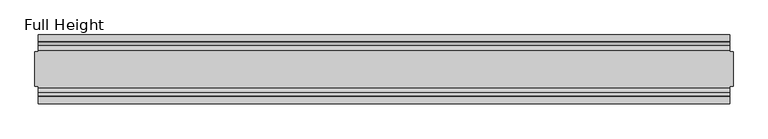
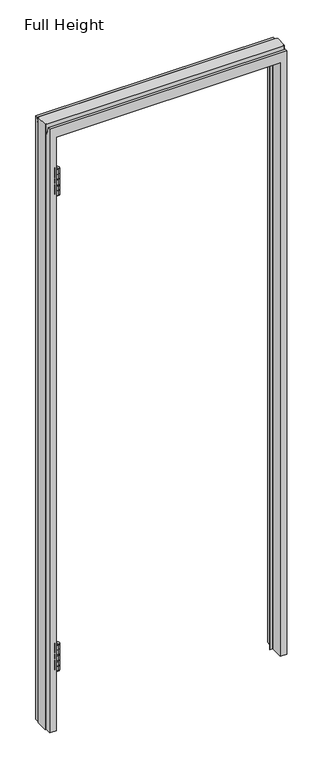
"""IFC4 building model written with IfcOpenShell, lengths in millimetres: plate geometry, Full Height."""

from ifc_helpers import new_model, si_unit, frame, origin, place, context, project, spatial, polyline, circle_curve, source, transform, mapped, element, save
from ifc_brep_helpers import plane_surface, cylinder_surface, revolved_surface, advanced_brep


def full_height_1b15659e(model_context):
    return source(origin(), model_context, "Body", "AdvancedBrep", [
        advanced_brep(
        [(-466.3662186, -30.9626, 2496.82), (-466.3662186, -50.0126, 2496.82), (-466.3662186, -50.0126, 2517.14), (-466.3662186, -30.9626, 2517.14), (-466.3662186, -40.4876, 2496.82), (-466.3662186, -40.4876, 2517.14)],
        [
            (0, 1, circle_curve(frame((-466.3662186, -40.4876, 2496.82), z_axis=(0.0, 0.0, 1.0), x_axis=(0.0, -1.0, 0.0)), 9.525)),
            (1, 2),
            (2, 3, circle_curve(frame((-466.3662186, -40.4876, 2517.14), z_axis=(0.0, 0.0, -1.0), x_axis=(0.0, -1.0, 0.0)), 9.525)),
            (3, 0),
            (1, 0, circle_curve(frame((-466.3662186, -40.4876, 2496.82), z_axis=(0.0, 0.0, 1.0), x_axis=(0.0, -1.0, 0.0)), 9.525)),
            (3, 2, circle_curve(frame((-466.3662186, -40.4876, 2517.14), z_axis=(0.0, 0.0, -1.0), x_axis=(0.0, -1.0, 0.0)), 9.525)),
            (4, 1),
            (0, 4),
            (2, 5),
            (5, 3),
        ],
        [
            cylinder_surface(frame((-466.3662186, -40.4876, 139.7), z_axis=(0.0, 0.0, -1.0), x_axis=(0.0, -1.0, 0.0)), 9.525),
            plane_surface(frame((-466.3662186, -40.4876, 2496.82), z_axis=(0.0, 0.0, -1.0), x_axis=(0.0, -1.0, 0.0))),
            plane_surface(frame((-466.3662186, -40.4876, 2517.14), z_axis=(0.0, 0.0, 1.0), x_axis=(0.0, -1.0, 0.0))),
        ],
        [
            (0, [[1, 2, 3, 4]]),
            (0, [[5, -4, 6, -2]]),
            (1, [[7, -1, 8]]),
            (1, [[-8, -5, -7]]),
            (2, [[-3, 9, 10]]),
            (2, [[-6, -10, -9]]),
        ],
    ),
        advanced_brep(
        [(-466.3662186, -30.9626, 2449.83), (-466.3662186, -50.0126, 2449.83), (-466.3662186, -50.0126, 2470.15), (-466.3662186, -30.9626, 2470.15), (-466.3662186, -40.4876, 2449.83), (-466.3662186, -40.4876, 2470.15)],
        [
            (0, 1, circle_curve(frame((-466.3662186, -40.4876, 2449.83), z_axis=(0.0, 0.0, 1.0), x_axis=(0.0, -1.0, 0.0)), 9.525)),
            (1, 2),
            (2, 3, circle_curve(frame((-466.3662186, -40.4876, 2470.15), z_axis=(0.0, 0.0, -1.0), x_axis=(0.0, -1.0, 0.0)), 9.525)),
            (3, 0),
            (1, 0, circle_curve(frame((-466.3662186, -40.4876, 2449.83), z_axis=(0.0, 0.0, 1.0), x_axis=(0.0, -1.0, 0.0)), 9.525)),
            (3, 2, circle_curve(frame((-466.3662186, -40.4876, 2470.15), z_axis=(0.0, 0.0, -1.0), x_axis=(0.0, -1.0, 0.0)), 9.525)),
            (4, 1),
            (0, 4),
            (2, 5),
            (5, 3),
        ],
        [
            cylinder_surface(frame((-466.3662186, -40.4876, 139.7), z_axis=(0.0, 0.0, -1.0), x_axis=(0.0, -1.0, 0.0)), 9.525),
            plane_surface(frame((-466.3662186, -40.4876, 2449.83), z_axis=(0.0, 0.0, -1.0), x_axis=(0.0, -1.0, 0.0))),
            plane_surface(frame((-466.3662186, -40.4876, 2470.15), z_axis=(0.0, 0.0, 1.0), x_axis=(0.0, -1.0, 0.0))),
        ],
        [
            (0, [[1, 2, 3, 4]]),
            (0, [[5, -4, 6, -2]]),
            (1, [[7, -1, 8]]),
            (1, [[-8, -5, -7]]),
            (2, [[-3, 9, 10]]),
            (2, [[-6, -10, -9]]),
        ],
    ),
        advanced_brep(
        [(-466.3662186, -30.9626, 2402.84), (-466.3662186, -50.0126, 2402.84), (-466.3662186, -50.0126, 2423.16), (-466.3662186, -30.9626, 2423.16), (-466.3662186, -40.4876, 2402.84), (-466.3662186, -40.4876, 2423.16)],
        [
            (0, 1, circle_curve(frame((-466.3662186, -40.4876, 2402.84), z_axis=(0.0, 0.0, 1.0), x_axis=(0.0, -1.0, 0.0)), 9.525)),
            (1, 2),
            (2, 3, circle_curve(frame((-466.3662186, -40.4876, 2423.16), z_axis=(0.0, 0.0, -1.0), x_axis=(0.0, -1.0, 0.0)), 9.525)),
            (3, 0),
            (1, 0, circle_curve(frame((-466.3662186, -40.4876, 2402.84), z_axis=(0.0, 0.0, 1.0), x_axis=(0.0, -1.0, 0.0)), 9.525)),
            (3, 2, circle_curve(frame((-466.3662186, -40.4876, 2423.16), z_axis=(0.0, 0.0, -1.0), x_axis=(0.0, -1.0, 0.0)), 9.525)),
            (4, 1),
            (0, 4),
            (2, 5),
            (5, 3),
        ],
        [
            cylinder_surface(frame((-466.3662186, -40.4876, 139.7), z_axis=(0.0, 0.0, -1.0), x_axis=(0.0, -1.0, 0.0)), 9.525),
            plane_surface(frame((-466.3662186, -40.4876, 2402.84), z_axis=(0.0, 0.0, -1.0), x_axis=(0.0, -1.0, 0.0))),
            plane_surface(frame((-466.3662186, -40.4876, 2423.16), z_axis=(0.0, 0.0, 1.0), x_axis=(0.0, -1.0, 0.0))),
        ],
        [
            (0, [[1, 2, 3, 4]]),
            (0, [[5, -4, 6, -2]]),
            (1, [[7, -1, 8]]),
            (1, [[-8, -5, -7]]),
            (2, [[-3, 9, 10]]),
            (2, [[-6, -10, -9]]),
        ],
    ),
        advanced_brep(
        [(-466.3662186, -30.9626, 381.0), (-466.3662186, -50.0126, 381.0), (-466.3662186, -40.4876, 381.0), (-466.3662186, -30.9626, 360.68), (-466.3662186, -50.0126, 360.68), (-466.3662186, -40.4876, 360.68)],
        [
            (0, 1, circle_curve(frame((-466.3662186, -40.4876, 381.0), z_axis=(0.0, 0.0, 1.0), x_axis=(0.0, -1.0, 0.0)), 9.525)),
            (1, 2),
            (2, 0),
            (1, 0, circle_curve(frame((-466.3662186, -40.4876, 381.0), z_axis=(0.0, 0.0, 1.0), x_axis=(0.0, -1.0, 0.0)), 9.525)),
            (3, 4, circle_curve(frame((-466.3662186, -40.4876, 360.68), z_axis=(0.0, 0.0, 1.0), x_axis=(0.0, -1.0, 0.0)), 9.525)),
            (4, 1),
            (0, 3),
            (4, 3, circle_curve(frame((-466.3662186, -40.4876, 360.68), z_axis=(0.0, 0.0, 1.0), x_axis=(0.0, -1.0, 0.0)), 9.525)),
            (5, 4),
            (3, 5),
        ],
        [
            plane_surface(frame((-466.3662186, -40.4876, 381.0), z_axis=(0.0, 0.0, 1.0), x_axis=(0.0, -1.0, 0.0))),
            cylinder_surface(frame((-466.3662186, -40.4876, 139.7), z_axis=(0.0, 0.0, -1.0), x_axis=(0.0, -1.0, 0.0)), 9.525),
            plane_surface(frame((-466.3662186, -40.4876, 360.68), z_axis=(0.0, 0.0, -1.0), x_axis=(0.0, -1.0, 0.0))),
        ],
        [
            (0, [[1, 2, 3]]),
            (0, [[4, -3, -2]]),
            (1, [[5, 6, -1, 7]]),
            (1, [[8, -7, -4, -6]]),
            (2, [[9, -5, 10]]),
            (2, [[-10, -8, -9]]),
        ],
    ),
        advanced_brep(
        [(-466.3662186, -30.9626, 313.69), (-466.3662186, -50.0126, 313.69), (-466.3662186, -50.0126, 334.01), (-466.3662186, -30.9626, 334.01), (-466.3662186, -40.4876, 313.69), (-466.3662186, -40.4876, 334.01)],
        [
            (0, 1, circle_curve(frame((-466.3662186, -40.4876, 313.69), z_axis=(0.0, 0.0, 1.0), x_axis=(0.0, -1.0, 0.0)), 9.525)),
            (1, 2),
            (2, 3, circle_curve(frame((-466.3662186, -40.4876, 334.01), z_axis=(0.0, 0.0, -1.0), x_axis=(0.0, -1.0, 0.0)), 9.525)),
            (3, 0),
            (1, 0, circle_curve(frame((-466.3662186, -40.4876, 313.69), z_axis=(0.0, 0.0, 1.0), x_axis=(0.0, -1.0, 0.0)), 9.525)),
            (3, 2, circle_curve(frame((-466.3662186, -40.4876, 334.01), z_axis=(0.0, 0.0, -1.0), x_axis=(0.0, -1.0, 0.0)), 9.525)),
            (4, 1),
            (0, 4),
            (2, 5),
            (5, 3),
        ],
        [
            cylinder_surface(frame((-466.3662186, -40.4876, 139.7), z_axis=(0.0, 0.0, -1.0), x_axis=(0.0, -1.0, 0.0)), 9.525),
            plane_surface(frame((-466.3662186, -40.4876, 313.69), z_axis=(0.0, 0.0, -1.0), x_axis=(0.0, -1.0, 0.0))),
            plane_surface(frame((-466.3662186, -40.4876, 334.01), z_axis=(0.0, 0.0, 1.0), x_axis=(0.0, -1.0, 0.0))),
        ],
        [
            (0, [[1, 2, 3, 4]]),
            (0, [[5, -4, 6, -2]]),
            (1, [[7, -1, 8]]),
            (1, [[-8, -5, -7]]),
            (2, [[-3, 9, 10]]),
            (2, [[-6, -10, -9]]),
        ],
    ),
        advanced_brep(
        [(-466.3662186, -30.9626, 266.7), (-466.3662186, -50.0126, 266.7), (-466.3662186, -50.0126, 287.02), (-466.3662186, -30.9626, 287.02), (-466.3662186, -40.4876, 266.7), (-466.3662186, -40.4876, 287.02)],
        [
            (0, 1, circle_curve(frame((-466.3662186, -40.4876, 266.7), z_axis=(0.0, 0.0, 1.0), x_axis=(0.0, -1.0, 0.0)), 9.525)),
            (1, 2),
            (2, 3, circle_curve(frame((-466.3662186, -40.4876, 287.02), z_axis=(0.0, 0.0, -1.0), x_axis=(0.0, -1.0, 0.0)), 9.525)),
            (3, 0),
            (1, 0, circle_curve(frame((-466.3662186, -40.4876, 266.7), z_axis=(0.0, 0.0, 1.0), x_axis=(0.0, -1.0, 0.0)), 9.525)),
            (3, 2, circle_curve(frame((-466.3662186, -40.4876, 287.02), z_axis=(0.0, 0.0, -1.0), x_axis=(0.0, -1.0, 0.0)), 9.525)),
            (4, 1),
            (0, 4),
            (2, 5),
            (5, 3),
        ],
        [
            cylinder_surface(frame((-466.3662186, -40.4876, 139.7), z_axis=(0.0, 0.0, -1.0), x_axis=(0.0, -1.0, 0.0)), 9.525),
            plane_surface(frame((-466.3662186, -40.4876, 266.7), z_axis=(0.0, 0.0, -1.0), x_axis=(0.0, -1.0, 0.0))),
            plane_surface(frame((-466.3662186, -40.4876, 287.02), z_axis=(0.0, 0.0, 1.0), x_axis=(0.0, -1.0, 0.0))),
        ],
        [
            (0, [[1, 2, 3, 4]]),
            (0, [[5, -4, 6, -2]]),
            (1, [[7, -1, 8]]),
            (1, [[-8, -5, -7]]),
            (2, [[-3, 9, 10]]),
            (2, [[-6, -10, -9]]),
        ],
    ),
        advanced_brep(
        [(-466.3662186, -40.4876, 381.0), (-466.3662186, -50.0126, 381.0), (-466.3662186, -30.9626, 381.0), (-466.3662186, -50.0126, 383.032), (-466.3662186, -30.9626, 383.032), (-466.3662186, -40.4876, 383.032)],
        [
            (0, 1),
            (1, 2, circle_curve(frame((-466.3662186, -40.4876, 381.0), z_axis=(0.0, 0.0, -1.0), x_axis=(0.0, -1.0, 0.0)), 9.525)),
            (2, 0),
            (2, 1, circle_curve(frame((-466.3662186, -40.4876, 381.0), z_axis=(0.0, 0.0, -1.0), x_axis=(0.0, -1.0, 0.0)), 9.525)),
            (1, 3),
            (3, 4, circle_curve(frame((-466.3662186, -40.4876, 383.032), z_axis=(0.0, 0.0, -1.0), x_axis=(0.0, -1.0, 0.0)), 9.525)),
            (4, 2),
            (4, 3, circle_curve(frame((-466.3662186, -40.4876, 383.032), z_axis=(0.0, 0.0, -1.0), x_axis=(0.0, -1.0, 0.0)), 9.525)),
            (3, 5),
            (5, 4),
        ],
        [
            plane_surface(frame((-466.3662186, -40.4876, 381.0), z_axis=(0.0, 0.0, -1.0), x_axis=(0.0, -1.0, 0.0))),
            cylinder_surface(frame((-466.3662186, -40.4876, 2525.522), z_axis=(0.0, 0.0, -1.0), x_axis=(0.0, -1.0, 0.0)), 9.525),
            plane_surface(frame((-466.3662186, -40.4876, 383.032), z_axis=(0.0, 0.0, 1.0), x_axis=(0.0, -1.0, 0.0))),
        ],
        [
            (0, [[1, 2, 3]]),
            (0, [[-3, 4, -1]]),
            (1, [[-2, 5, 6, 7]]),
            (1, [[-4, -7, 8, -5]]),
            (2, [[-6, 9, 10]]),
            (2, [[-8, -10, -9]]),
        ],
    ),
        advanced_brep(
        [(-466.3662186, -40.4876, 264.668), (-466.3662186, -50.0126, 264.668), (-466.3662186, -30.9626, 264.668), (-466.3662186, -50.0126, 266.7), (-466.3662186, -30.9626, 266.7), (-466.3662186, -40.4876, 266.7)],
        [
            (0, 1),
            (1, 2, circle_curve(frame((-466.3662186, -40.4876, 264.668), z_axis=(0.0, 0.0, -1.0), x_axis=(0.0, -1.0, 0.0)), 9.525)),
            (2, 0),
            (2, 1, circle_curve(frame((-466.3662186, -40.4876, 264.668), z_axis=(0.0, 0.0, -1.0), x_axis=(0.0, -1.0, 0.0)), 9.525)),
            (1, 3),
            (3, 4, circle_curve(frame((-466.3662186, -40.4876, 266.7), z_axis=(0.0, 0.0, -1.0), x_axis=(0.0, -1.0, 0.0)), 9.525)),
            (4, 2),
            (4, 3, circle_curve(frame((-466.3662186, -40.4876, 266.7), z_axis=(0.0, 0.0, -1.0), x_axis=(0.0, -1.0, 0.0)), 9.525)),
            (3, 5),
            (5, 4),
        ],
        [
            plane_surface(frame((-466.3662186, -40.4876, 264.668), z_axis=(0.0, 0.0, -1.0), x_axis=(0.0, -1.0, 0.0))),
            cylinder_surface(frame((-466.3662186, -40.4876, 2525.522), z_axis=(0.0, 0.0, -1.0), x_axis=(0.0, -1.0, 0.0)), 9.525),
            plane_surface(frame((-466.3662186, -40.4876, 266.7), z_axis=(0.0, 0.0, 1.0), x_axis=(0.0, -1.0, 0.0))),
        ],
        [
            (0, [[1, 2, 3]]),
            (0, [[-3, 4, -1]]),
            (1, [[-2, 5, 6, 7]]),
            (1, [[-4, -7, 8, -5]]),
            (2, [[-6, 9, 10]]),
            (2, [[-8, -10, -9]]),
        ],
    ),
        advanced_brep(
        [(-466.3662186, -40.4876, 340.36), (-466.3662186, -50.0126, 340.36), (-466.3662186, -30.9626, 340.36), (-466.3662186, -50.0126, 360.68), (-466.3662186, -30.9626, 360.68), (-466.3662186, -40.4876, 360.68)],
        [
            (0, 1),
            (1, 2, circle_curve(frame((-466.3662186, -40.4876, 340.36), z_axis=(0.0, 0.0, -1.0), x_axis=(0.0, -1.0, 0.0)), 9.525)),
            (2, 0),
            (2, 1, circle_curve(frame((-466.3662186, -40.4876, 340.36), z_axis=(0.0, 0.0, -1.0), x_axis=(0.0, -1.0, 0.0)), 9.525)),
            (1, 3),
            (3, 4, circle_curve(frame((-466.3662186, -40.4876, 360.68), z_axis=(0.0, 0.0, -1.0), x_axis=(0.0, -1.0, 0.0)), 9.525)),
            (4, 2),
            (4, 3, circle_curve(frame((-466.3662186, -40.4876, 360.68), z_axis=(0.0, 0.0, -1.0), x_axis=(0.0, -1.0, 0.0)), 9.525)),
            (3, 5),
            (5, 4),
        ],
        [
            plane_surface(frame((-466.3662186, -40.4876, 340.36), z_axis=(0.0, 0.0, -1.0), x_axis=(0.0, -1.0, 0.0))),
            cylinder_surface(frame((-466.3662186, -40.4876, 2525.522), z_axis=(0.0, 0.0, -1.0), x_axis=(0.0, -1.0, 0.0)), 9.525),
            plane_surface(frame((-466.3662186, -40.4876, 360.68), z_axis=(0.0, 0.0, 1.0), x_axis=(0.0, -1.0, 0.0))),
        ],
        [
            (0, [[1, 2, 3]]),
            (0, [[-3, 4, -1]]),
            (1, [[-2, 5, 6, 7]]),
            (1, [[-4, -7, 8, -5]]),
            (2, [[-6, 9, 10]]),
            (2, [[-8, -10, -9]]),
        ],
    ),
        advanced_brep(
        [(-466.3662186, -40.4876, 287.02), (-466.3662186, -50.0126, 287.02), (-466.3662186, -30.9626, 287.02), (-466.3662186, -50.0126, 307.34), (-466.3662186, -30.9626, 307.34), (-466.3662186, -40.4876, 307.34)],
        [
            (0, 1),
            (1, 2, circle_curve(frame((-466.3662186, -40.4876, 287.02), z_axis=(0.0, 0.0, -1.0), x_axis=(0.0, -1.0, 0.0)), 9.525)),
            (2, 0),
            (2, 1, circle_curve(frame((-466.3662186, -40.4876, 287.02), z_axis=(0.0, 0.0, -1.0), x_axis=(0.0, -1.0, 0.0)), 9.525)),
            (1, 3),
            (3, 4, circle_curve(frame((-466.3662186, -40.4876, 307.34), z_axis=(0.0, 0.0, -1.0), x_axis=(0.0, -1.0, 0.0)), 9.525)),
            (4, 2),
            (4, 3, circle_curve(frame((-466.3662186, -40.4876, 307.34), z_axis=(0.0, 0.0, -1.0), x_axis=(0.0, -1.0, 0.0)), 9.525)),
            (3, 5),
            (5, 4),
        ],
        [
            plane_surface(frame((-466.3662186, -40.4876, 287.02), z_axis=(0.0, 0.0, -1.0), x_axis=(0.0, -1.0, 0.0))),
            cylinder_surface(frame((-466.3662186, -40.4876, 2525.522), z_axis=(0.0, 0.0, -1.0), x_axis=(0.0, -1.0, 0.0)), 9.525),
            plane_surface(frame((-466.3662186, -40.4876, 307.34), z_axis=(0.0, 0.0, 1.0), x_axis=(0.0, -1.0, 0.0))),
        ],
        [
            (0, [[1, 2, 3]]),
            (0, [[-3, 4, -1]]),
            (1, [[-2, 5, 6, 7]]),
            (1, [[-4, -7, 8, -5]]),
            (2, [[-6, 9, 10]]),
            (2, [[-8, -10, -9]]),
        ],
    ),
        advanced_brep(
        [(-466.3662186, -40.4876, 2517.14), (-466.3662186, -50.0126, 2517.14), (-466.3662186, -30.9626, 2517.14), (-466.3662186, -50.0126, 2519.172), (-466.3662186, -30.9626, 2519.172), (-466.3662186, -40.4876, 2519.172)],
        [
            (0, 1),
            (1, 2, circle_curve(frame((-466.3662186, -40.4876, 2517.14), z_axis=(0.0, 0.0, -1.0), x_axis=(0.0, -1.0, 0.0)), 9.525)),
            (2, 0),
            (2, 1, circle_curve(frame((-466.3662186, -40.4876, 2517.14), z_axis=(0.0, 0.0, -1.0), x_axis=(0.0, -1.0, 0.0)), 9.525)),
            (1, 3),
            (3, 4, circle_curve(frame((-466.3662186, -40.4876, 2519.172), z_axis=(0.0, 0.0, -1.0), x_axis=(0.0, -1.0, 0.0)), 9.525)),
            (4, 2),
            (4, 3, circle_curve(frame((-466.3662186, -40.4876, 2519.172), z_axis=(0.0, 0.0, -1.0), x_axis=(0.0, -1.0, 0.0)), 9.525)),
            (3, 5),
            (5, 4),
        ],
        [
            plane_surface(frame((-466.3662186, -40.4876, 2517.14), z_axis=(0.0, 0.0, -1.0), x_axis=(0.0, -1.0, 0.0))),
            cylinder_surface(frame((-466.3662186, -40.4876, 2525.522), z_axis=(0.0, 0.0, -1.0), x_axis=(0.0, -1.0, 0.0)), 9.525),
            plane_surface(frame((-466.3662186, -40.4876, 2519.172), z_axis=(0.0, 0.0, 1.0), x_axis=(0.0, -1.0, 0.0))),
        ],
        [
            (0, [[1, 2, 3]]),
            (0, [[-3, 4, -1]]),
            (1, [[-2, 5, 6, 7]]),
            (1, [[-4, -7, 8, -5]]),
            (2, [[-6, 9, 10]]),
            (2, [[-8, -10, -9]]),
        ],
    ),
        advanced_brep(
        [(-466.3662186, -40.4876, 2400.808), (-466.3662186, -50.0126, 2400.808), (-466.3662186, -30.9626, 2400.808), (-466.3662186, -50.0126, 2402.84), (-466.3662186, -30.9626, 2402.84), (-466.3662186, -40.4876, 2402.84)],
        [
            (0, 1),
            (1, 2, circle_curve(frame((-466.3662186, -40.4876, 2400.808), z_axis=(0.0, 0.0, -1.0), x_axis=(0.0, -1.0, 0.0)), 9.525)),
            (2, 0),
            (2, 1, circle_curve(frame((-466.3662186, -40.4876, 2400.808), z_axis=(0.0, 0.0, -1.0), x_axis=(0.0, -1.0, 0.0)), 9.525)),
            (1, 3),
            (3, 4, circle_curve(frame((-466.3662186, -40.4876, 2402.84), z_axis=(0.0, 0.0, -1.0), x_axis=(0.0, -1.0, 0.0)), 9.525)),
            (4, 2),
            (4, 3, circle_curve(frame((-466.3662186, -40.4876, 2402.84), z_axis=(0.0, 0.0, -1.0), x_axis=(0.0, -1.0, 0.0)), 9.525)),
            (3, 5),
            (5, 4),
        ],
        [
            plane_surface(frame((-466.3662186, -40.4876, 2400.808), z_axis=(0.0, 0.0, -1.0), x_axis=(0.0, -1.0, 0.0))),
            cylinder_surface(frame((-466.3662186, -40.4876, 2525.522), z_axis=(0.0, 0.0, -1.0), x_axis=(0.0, -1.0, 0.0)), 9.525),
            plane_surface(frame((-466.3662186, -40.4876, 2402.84), z_axis=(0.0, 0.0, 1.0), x_axis=(0.0, -1.0, 0.0))),
        ],
        [
            (0, [[1, 2, 3]]),
            (0, [[-3, 4, -1]]),
            (1, [[-2, 5, 6, 7]]),
            (1, [[-4, -7, 8, -5]]),
            (2, [[-6, 9, 10]]),
            (2, [[-8, -10, -9]]),
        ],
    ),
        advanced_brep(
        [(-466.3662186, -40.4876, 2476.5), (-466.3662186, -50.0126, 2476.5), (-466.3662186, -30.9626, 2476.5), (-466.3662186, -50.0126, 2496.82), (-466.3662186, -30.9626, 2496.82), (-466.3662186, -40.4876, 2496.82)],
        [
            (0, 1),
            (1, 2, circle_curve(frame((-466.3662186, -40.4876, 2476.5), z_axis=(0.0, 0.0, -1.0), x_axis=(0.0, -1.0, 0.0)), 9.525)),
            (2, 0),
            (2, 1, circle_curve(frame((-466.3662186, -40.4876, 2476.5), z_axis=(0.0, 0.0, -1.0), x_axis=(0.0, -1.0, 0.0)), 9.525)),
            (1, 3),
            (3, 4, circle_curve(frame((-466.3662186, -40.4876, 2496.82), z_axis=(0.0, 0.0, -1.0), x_axis=(0.0, -1.0, 0.0)), 9.525)),
            (4, 2),
            (4, 3, circle_curve(frame((-466.3662186, -40.4876, 2496.82), z_axis=(0.0, 0.0, -1.0), x_axis=(0.0, -1.0, 0.0)), 9.525)),
            (3, 5),
            (5, 4),
        ],
        [
            plane_surface(frame((-466.3662186, -40.4876, 2476.5), z_axis=(0.0, 0.0, -1.0), x_axis=(0.0, -1.0, 0.0))),
            cylinder_surface(frame((-466.3662186, -40.4876, 2525.522), z_axis=(0.0, 0.0, -1.0), x_axis=(0.0, -1.0, 0.0)), 9.525),
            plane_surface(frame((-466.3662186, -40.4876, 2496.82), z_axis=(0.0, 0.0, 1.0), x_axis=(0.0, -1.0, 0.0))),
        ],
        [
            (0, [[1, 2, 3]]),
            (0, [[-3, 4, -1]]),
            (1, [[-2, 5, 6, 7]]),
            (1, [[-4, -7, 8, -5]]),
            (2, [[-6, 9, 10]]),
            (2, [[-8, -10, -9]]),
        ],
    ),
        advanced_brep(
        [(-466.3662186, -40.4876, 2423.16), (-466.3662186, -50.0126, 2423.16), (-466.3662186, -30.9626, 2423.16), (-466.3662186, -50.0126, 2443.48), (-466.3662186, -30.9626, 2443.48), (-466.3662186, -40.4876, 2443.48)],
        [
            (0, 1),
            (1, 2, circle_curve(frame((-466.3662186, -40.4876, 2423.16), z_axis=(0.0, 0.0, -1.0), x_axis=(0.0, -1.0, 0.0)), 9.525)),
            (2, 0),
            (2, 1, circle_curve(frame((-466.3662186, -40.4876, 2423.16), z_axis=(0.0, 0.0, -1.0), x_axis=(0.0, -1.0, 0.0)), 9.525)),
            (1, 3),
            (3, 4, circle_curve(frame((-466.3662186, -40.4876, 2443.48), z_axis=(0.0, 0.0, -1.0), x_axis=(0.0, -1.0, 0.0)), 9.525)),
            (4, 2),
            (4, 3, circle_curve(frame((-466.3662186, -40.4876, 2443.48), z_axis=(0.0, 0.0, -1.0), x_axis=(0.0, -1.0, 0.0)), 9.525)),
            (3, 5),
            (5, 4),
        ],
        [
            plane_surface(frame((-466.3662186, -40.4876, 2423.16), z_axis=(0.0, 0.0, -1.0), x_axis=(0.0, -1.0, 0.0))),
            cylinder_surface(frame((-466.3662186, -40.4876, 2525.522), z_axis=(0.0, 0.0, -1.0), x_axis=(0.0, -1.0, 0.0)), 9.525),
            plane_surface(frame((-466.3662186, -40.4876, 2443.48), z_axis=(0.0, 0.0, 1.0), x_axis=(0.0, -1.0, 0.0))),
        ],
        [
            (0, [[1, 2, 3]]),
            (0, [[-3, 4, -1]]),
            (1, [[-2, 5, 6, 7]]),
            (1, [[-4, -7, 8, -5]]),
            (2, [[-6, 9, 10]]),
            (2, [[-8, -10, -9]]),
        ],
    ),
        advanced_brep(
        [(-503.9582186, 50.0, 0.0), (-481.8602186, 50.0, 0.0), (-475.8912186, 6.1006519, 0.0), (-463.1912186, 6.1006519, 0.0), (-463.1912186, 4.8306519, 0.0), (-475.8912186, 4.8306519, 0.0), (-475.8912186, -50.0, 0.0), (-503.9582186, -50.0, 0.0), (-503.9582186, -25.146, 0.0), (-508.5302186, -25.146, 0.0), (-508.5302186, 25.146, 0.0), (-503.9582186, 25.146, 0.0), (503.9582186, -50.0, 0.0), (475.8912186, -50.0, 0.0), (475.8912186, 4.8306519, 0.0), (463.1912186, 4.8306519, 0.0), (463.1912186, 6.1006519, 0.0), (475.8912186, 6.1006519, 0.0), (481.8602186, 50.0, 0.0), (503.9582186, 50.0, 0.0), (503.9582186, 25.146, 0.0), (508.5302186, 25.146, 0.0), (508.5302186, -25.146, 0.0), (503.9582186, -25.146, 0.0), (508.5302186, 25.146, 2720.34), (503.9582186, 25.146, 2720.34), (503.9582186, 26.67, 2720.34), (-503.9582186, 26.67, 2720.34), (-503.9582186, 25.146, 2720.34), (-508.5302186, 25.146, 2720.34), (-508.5302186, -25.146, 2720.34), (-503.9582186, -25.146, 2720.34), (-503.9582186, -26.67, 2720.34), (503.9582186, -26.67, 2720.34), (503.9582186, -25.146, 2720.34), (508.5302186, -25.146, 2720.34), (-503.9582186, -50.0, 2711.196), (-503.9582186, -39.9371387, 2711.196), (-503.9582186, -39.1867152, 2710.5663199), (-503.9582186, -34.2321175, 2682.4674004), (-503.9582186, -26.67, 2683.129), (-503.9582186, 26.67, 2683.129), (-503.9582186, 34.2321175, 2682.4674004), (-503.9582186, 39.1867152, 2710.5663199), (-503.9582186, 39.9371387, 2711.196), (-503.9582186, 50.0, 2711.196), (-475.8912186, -50.0, 2666.619), (475.8912186, -50.0, 2666.619), (503.9582186, -50.0, 2711.196), (503.9582186, 50.0, 2711.196), (481.8602186, 50.0, 2666.619), (-481.8602186, 50.0, 2666.619), (503.9582186, 39.9371387, 2711.196), (503.9582186, 39.1867152, 2710.5663199), (503.9582186, 34.2321175, 2682.4674004), (503.9582186, 26.67, 2683.129), (503.9582186, -26.67, 2683.129), (503.9582186, -34.2321175, 2682.4674004), (503.9582186, -39.1867152, 2710.5663199), (503.9582186, -39.9371387, 2711.196), (-475.8912186, 4.8306519, 2666.619), (475.8912186, 4.8306519, 2666.619), (-463.1912186, 4.8306519, 2622.55), (463.1912186, 4.8306519, 2622.55), (-463.1912186, 6.1006519, 2622.55), (-475.8912186, 6.1006519, 2660.65), (475.8912186, 6.1006519, 2660.65), (463.1912186, 6.1006519, 2622.55)],
        [
            (0, 1),
            (1, 2),
            (2, 3),
            (3, 4),
            (4, 5),
            (5, 6),
            (6, 7),
            (7, 8),
            (8, 9),
            (9, 10),
            (10, 11),
            (11, 0),
            (12, 13),
            (13, 14),
            (14, 15),
            (15, 16),
            (16, 17),
            (17, 18),
            (18, 19),
            (19, 20),
            (20, 21),
            (21, 22),
            (22, 23),
            (23, 12),
            (24, 25),
            (25, 26),
            (26, 27),
            (27, 28),
            (28, 29),
            (29, 30),
            (30, 31),
            (31, 32),
            (32, 33),
            (33, 34),
            (34, 35),
            (35, 24),
            (20, 25),
            (24, 21),
            (34, 23),
            (22, 35),
            (29, 10),
            (9, 30),
            (8, 31),
            (28, 11),
            (7, 36),
            (36, 37),
            (37, 38, circle_curve(frame((-503.9582186, -39.9371387, 2710.434), z_axis=(-1.0, 0.0, 0.0), x_axis=(0.0, -1.0, 0.0)), 0.762)),
            (38, 39),
            (39, 40, circle_curve(frame((-503.9582186, -30.48, 2683.129), z_axis=(1.0, 0.0, 0.0), x_axis=(0.0, -1.0, 0.0)), 3.81)),
            (40, 32),
            (27, 41),
            (41, 42, circle_curve(frame((-503.9582186, 30.48, 2683.129), z_axis=(1.0, 0.0, 0.0), x_axis=(0.0, -1.0, 0.0)), 3.81)),
            (42, 43),
            (43, 44, circle_curve(frame((-503.9582186, 39.9371387, 2710.434), z_axis=(-1.0, 0.0, 0.0), x_axis=(0.0, -1.0, 0.0)), 0.762)),
            (44, 45),
            (45, 0),
            (6, 46),
            (46, 47),
            (47, 13),
            (12, 48),
            (48, 36),
            (45, 49),
            (49, 19),
            (18, 50),
            (50, 51),
            (51, 1),
            (49, 52),
            (52, 53, circle_curve(frame((503.9582186, 39.9371387, 2710.434), z_axis=(1.0, 0.0, 0.0), x_axis=(0.0, -1.0, 0.0)), 0.762)),
            (53, 54),
            (54, 55, circle_curve(frame((503.9582186, 30.48, 2683.129), z_axis=(-1.0, 0.0, 0.0), x_axis=(0.0, -1.0, 0.0)), 3.81)),
            (55, 26),
            (33, 56),
            (56, 57, circle_curve(frame((503.9582186, -30.48, 2683.129), z_axis=(-1.0, 0.0, 0.0), x_axis=(0.0, -1.0, 0.0)), 3.81)),
            (57, 58),
            (58, 59, circle_curve(frame((503.9582186, -39.9371387, 2710.434), z_axis=(1.0, 0.0, 0.0), x_axis=(0.0, -1.0, 0.0)), 0.762)),
            (59, 48),
            (5, 60),
            (60, 46),
            (61, 14),
            (47, 61),
            (4, 62),
            (62, 63),
            (63, 15),
            (61, 60),
            (3, 64),
            (64, 62),
            (2, 65),
            (65, 66),
            (66, 17),
            (16, 67),
            (67, 64),
            (51, 65),
            (66, 50),
            (63, 67),
            (55, 41),
            (54, 42),
            (53, 43),
            (52, 44),
            (59, 37),
            (58, 38),
            (57, 39),
            (56, 40),
        ],
        [
            plane_surface(frame((-503.9582186, -50.0, 0.0), z_axis=(0.0, 0.0, -1.0), x_axis=(0.0, 1.0, 0.0))),
            plane_surface(frame((503.9582186, 25.146, 2720.34), z_axis=(0.0, 0.0, 1.0), x_axis=(-1.0, 0.0, 0.0))),
            plane_surface(frame((508.5302186, 25.146, 2720.34), z_axis=(0.0, 1.0, 0.0), x_axis=(0.0, 0.0, -1.0))),
            plane_surface(frame((503.9582186, -25.146, 2720.34), z_axis=(0.0, -1.0, 0.0), x_axis=(0.0, 0.0, -1.0))),
            plane_surface(frame((508.5302186, -25.146, 2720.34), z_axis=(1.0, 0.0, 0.0), x_axis=(0.0, 0.0, -1.0))),
            plane_surface(frame((-508.5302186, 25.146, 2720.34), z_axis=(-1.0, 0.0, 0.0), x_axis=(0.0, 0.0, -1.0))),
            plane_surface(frame((-508.5302186, -25.146, 2720.34), z_axis=(0.0, -1.0, 0.0), x_axis=(0.0, 0.0, -1.0))),
            plane_surface(frame((-503.9582186, 25.146, 2720.34), z_axis=(0.0, 1.0, 0.0), x_axis=(0.0, 0.0, -1.0))),
            plane_surface(frame((-503.9582186, 50.0, 2678.4046), z_axis=(-1.0, 0.0, 0.0), x_axis=(0.0, 0.0, -1.0))),
            plane_surface(frame((-503.9582186, -50.0, 2678.4046), z_axis=(0.0, -1.0, 0.0), x_axis=(0.0, 0.0, -1.0))),
            plane_surface(frame((-481.8602186, 50.0, 2678.4046), z_axis=(0.0, 1.0, 0.0), x_axis=(0.0, 0.0, -1.0))),
            plane_surface(frame((503.9582186, -50.0, 2678.4046), z_axis=(1.0, 0.0, 0.0), x_axis=(0.0, 0.0, -1.0))),
            plane_surface(frame((-475.8912186, -50.0, 2678.4046), z_axis=(1.0, 0.0, 0.0), x_axis=(0.0, 0.0, -1.0))),
            plane_surface(frame((475.8912186, 4.8306519, 2678.4046), z_axis=(-1.0, 0.0, 0.0), x_axis=(0.0, 0.0, -1.0))),
            plane_surface(frame((-475.8912186, 4.8306519, 2678.4046), z_axis=(0.0, -1.0, 0.0), x_axis=(0.0, 0.0, -1.0))),
            plane_surface(frame((-463.1912186, 4.8306519, 2678.4046), z_axis=(1.0, 0.0, 0.0), x_axis=(0.0, 0.0, -1.0))),
            plane_surface(frame((-463.1912186, 6.1006519, 2678.4046), z_axis=(0.0, 1.0, 0.0), x_axis=(0.0, 0.0, -1.0))),
            plane_surface(frame((-475.8912186, 6.1006519, 2678.4046), z_axis=(0.9908822943533607, 0.13473039277393886, 0.0), x_axis=(0.0, 0.0, -1.0))),
            plane_surface(frame((481.8602186, 50.0, 2678.4046), z_axis=(-0.9908822943533605, 0.13473039277394036, 0.0), x_axis=(0.0, 0.0, -1.0))),
            plane_surface(frame((463.1912186, 6.1006519, 2678.4046), z_axis=(-1.0, 0.0, 0.0), x_axis=(0.0, 0.0, -1.0))),
            plane_surface(frame((-503.9582186, 26.67, 2720.34), z_axis=(0.0, 1.0, 0.0), x_axis=(1.0, 0.0, 0.0))),
            revolved_surface(polyline([(503.9582186, 26.67, 2683.129), (-503.9582186, 26.67, 2683.129)]), (503.9582186, 30.48, 2683.129), (1.0, 0.0, 0.0)),
            plane_surface(frame((-503.9582186, 34.2321175, 2682.4674004), z_axis=(0.0, -0.9848077530121587, 0.1736481776672104), x_axis=(1.0, 0.0, 0.0))),
            cylinder_surface(frame((503.9582186, 39.9371387, 2710.434), z_axis=(-1.0, 0.0, 0.0), x_axis=(0.0, -1.0, 0.0)), 0.762),
            plane_surface(frame((-503.9582186, 39.9371387, 2711.196), z_axis=(0.0, 0.0, 1.0), x_axis=(1.0, 0.0, 0.0))),
            plane_surface(frame((-503.9582186, 4.8306519, 2666.619), z_axis=(0.0, 0.0, -1.0), x_axis=(1.0, 0.0, 0.0))),
            plane_surface(frame((-503.9582186, -50.0, 2711.196), z_axis=(0.0, 0.0, 1.0), x_axis=(1.0, 0.0, 0.0))),
            cylinder_surface(frame((503.9582186, -39.9371387, 2710.434), z_axis=(-1.0, 0.0, 0.0), x_axis=(0.0, -1.0, 0.0)), 0.762),
            plane_surface(frame((-503.9582186, -39.1867152, 2710.5663199), z_axis=(0.0, 0.9848077530121684, 0.1736481776671558), x_axis=(1.0, 0.0, 0.0))),
            revolved_surface(polyline([(503.9582186, -34.29, 2683.129), (-503.9582186, -34.29, 2683.129)]), (503.9582186, -30.48, 2683.129), (1.0, 0.0, 0.0)),
            plane_surface(frame((-503.9582186, -26.67, 2683.129), z_axis=(0.0, -1.0, 0.0), x_axis=(1.0, 0.0, 0.0))),
            plane_surface(frame((-503.9582186, 50.0, 2666.619), z_axis=(0.0, 0.13473039277391335, -0.9908822943533642), x_axis=(1.0, 0.0, 0.0))),
            plane_surface(frame((-503.9582186, 6.1006519, 2622.55), z_axis=(0.0, 0.0, -1.0), x_axis=(1.0, 0.0, 0.0))),
        ],
        [
            (0, [[1, 2, 3, 4, 5, 6, 7, 8, 9, 10, 11, 12]]),
            (0, [[13, 14, 15, 16, 17, 18, 19, 20, 21, 22, 23, 24]]),
            (1, [[25, 26, 27, 28, 29, 30, 31, 32, 33, 34, 35, 36]]),
            (2, [[37, -25, 38, -21]]),
            (3, [[-35, 39, -23, 40]]),
            (4, [[-36, -40, -22, -38]]),
            (5, [[-30, 41, -10, 42]]),
            (6, [[43, -31, -42, -9]]),
            (7, [[-29, 44, -11, -41]]),
            (8, [[-8, 45, 46, 47, 48, 49, 50, -32, -43]]),
            (8, [[-12, -44, -28, 51, 52, 53, 54, 55, 56]]),
            (9, [[-45, -7, 57, 58, 59, -13, 60, 61]]),
            (10, [[-1, -56, 62, 63, -19, 64, 65, 66]]),
            (11, [[-20, -63, 67, 68, 69, 70, 71, -26, -37]]),
            (11, [[-60, -24, -39, -34, 72, 73, 74, 75, 76]]),
            (12, [[-6, 77, 78, -57]]),
            (13, [[79, -14, -59, 80]]),
            (14, [[-5, 81, 82, 83, -15, -79, 84, -77]]),
            (15, [[-4, 85, 86, -81]]),
            (16, [[-3, 87, 88, 89, -17, 90, 91, -85]]),
            (17, [[-87, -2, -66, 92]]),
            (18, [[-18, -89, 93, -64]]),
            (19, [[-16, -83, 94, -90]]),
            (20, [[-51, -27, -71, 95]]),
            (21, [[-52, -95, -70, 96]]),
            (22, [[-53, -96, -69, 97]]),
            (23, [[-54, -97, -68, 98]]),
            (24, [[-55, -98, -67, -62]]),
            (25, [[-58, -78, -84, -80]]),
            (26, [[-46, -61, -76, 99]]),
            (27, [[-47, -99, -75, 100]]),
            (28, [[-48, -100, -74, 101]]),
            (29, [[-49, -101, -73, 102]]),
            (30, [[-50, -102, -72, -33]]),
            (31, [[-65, -93, -88, -92]]),
            (32, [[-91, -94, -82, -86]]),
        ],
    ),
    ])


if __name__ == "__main__":
    model = new_model("IFC4")
    model_context = context("Model", 3, world=origin())
    ifc_project = project(units=[si_unit("LENGTHUNIT", "METRE", prefix="MILLI")], contexts=[model_context])
    site = spatial("IfcSite", under=ifc_project)
    building = spatial("IfcBuilding", under=site)
    placement = place(None, origin())
    full_height_shape = full_height_1b15659e(model_context)
    element("IfcPlate", 1, ObjectType="Full Height", at=placement, inside=building, context=model_context, shape_type="MappedRepresentation", body=[
        mapped(full_height_shape, transform((0.0, 0.0, 0.0), x_axis=(1.0, 0.0, 0.0), y_axis=(0.0, 1.0, 0.0), z_axis=(0.0, 0.0, 1.0))),
    ])
    save(model, "model.ifc")
